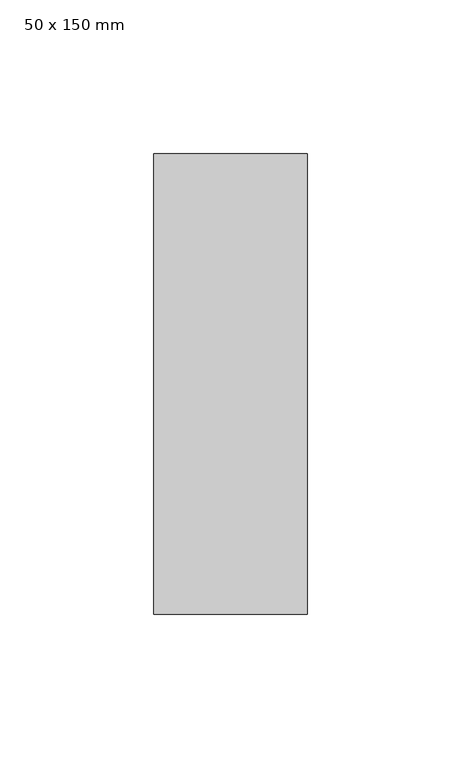
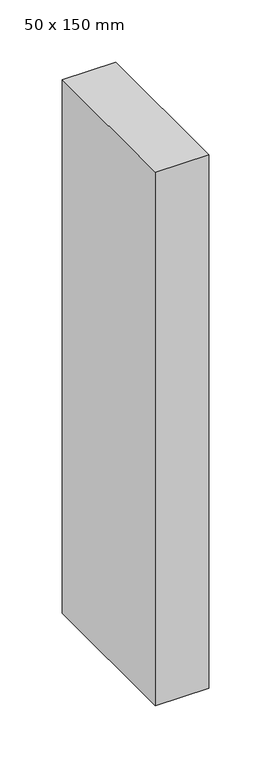
"""IFC4 building model written with IfcOpenShell, lengths in millimetres: member geometry, 50 x 150 mm."""

from ifc_helpers import new_model, si_unit, frame, origin, place, context, project, spatial, polyline, outline, extrude, source, transform, mapped, element, save


def member_50_x_150_mm_8a69f4a4(model_context):
    return source(origin(), model_context, "Body", "SweptSolid", [
        extrude(outline(polyline([(25.0, 75.0), (25.0, -75.0), (-25.0, -75.0), (-25.0, 75.0), (25.0, 75.0)])), frame((0.0, 0.0, -525.0), z_axis=(0.0, 0.0, 1.0), x_axis=(1.0, 0.0, 0.0)), (0.0, 0.0, 1.0), 525.0),
    ])


if __name__ == "__main__":
    model = new_model("IFC4")
    model_context = context("Model", 3, world=origin())
    ifc_project = project(units=[si_unit("LENGTHUNIT", "METRE", prefix="MILLI")], contexts=[model_context])
    site = spatial("IfcSite", under=ifc_project)
    building = spatial("IfcBuilding", under=site)
    placement = place(None, origin())
    member_50_x_150_mm_shape = member_50_x_150_mm_8a69f4a4(model_context)
    element("IfcMember", 1, ObjectType="50 x 150 mm", at=placement, inside=building, context=model_context, shape_type="MappedRepresentation", body=[
        mapped(member_50_x_150_mm_shape, transform((0.0, 0.0, 0.0), x_axis=(1.0, 0.0, 0.0), y_axis=(0.0, 1.0, 0.0), z_axis=(0.0, 0.0, 1.0))),
    ])
    save(model, "model.ifc")
